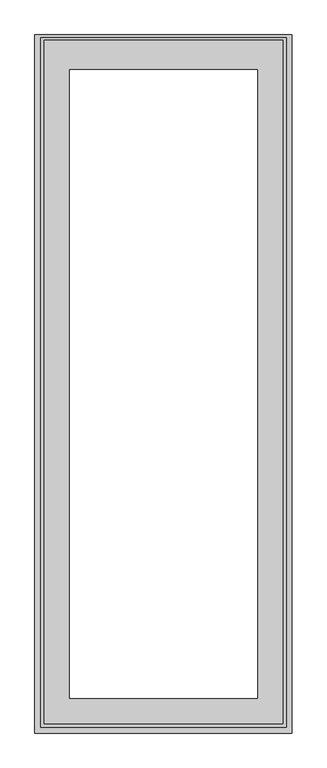
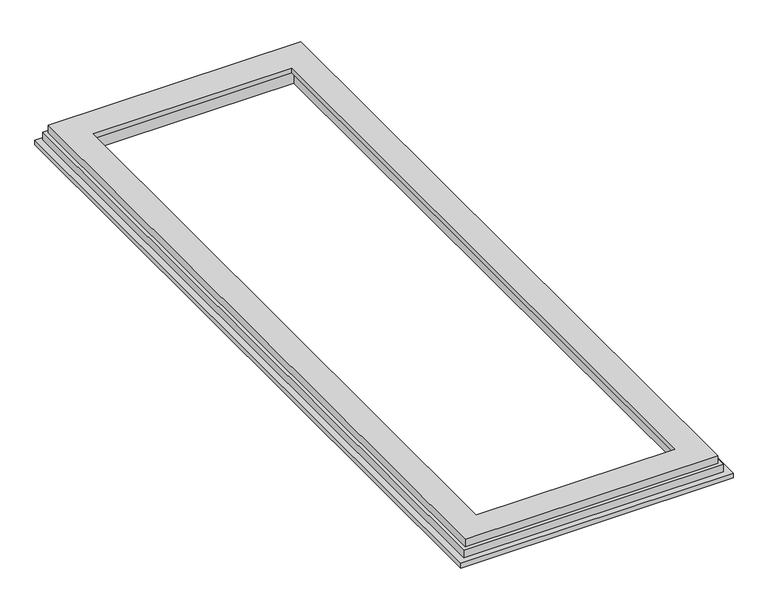
"""IFC4 building model written with IfcOpenShell, lengths in millimetres: proxy geometry."""

from ifc_helpers import new_model, si_unit, origin, place, context, project, spatial, faceted_brep, source, transform, mapped, element, save


def generic_models_3a12208d(model_context):
    return source(origin(), model_context, "Body", "Brep", [
        faceted_brep([(-1.5, -2405.0, -68.0), (-1.5, -2405.0, -84.5), (884.5, -2405.0, -84.5), (884.5, -2405.0, -68.0), (884.5, -3.0, -84.5), (-1.5, -3.0, -84.5), (100.5, -105.0, -84.5), (100.5, -2303.0, -84.5), (782.5, -2303.0, -84.5), (782.5, -105.0, -84.5), (782.5, -2303.0, -32.5), (782.5, -105.0, -32.5), (100.5, -2303.0, -32.5), (100.5, -105.0, -32.5), (118.5, -123.0, -32.5), (118.5, -2285.0, -32.5), (764.5, -2285.0, -32.5), (764.5, -123.0, -32.5), (764.5, -2285.0, -16.5), (764.5, -123.0, -16.5), (852.5, -2373.0, -16.5), (852.5, -22.0, -16.5), (30.5, -22.0, -16.5), (30.5, -2373.0, -16.5), (118.5, -2285.0, -16.5), (118.5, -123.0, -16.5), (884.5, -3.0, -68.0), (-1.5, -3.0, -68.0), (864.5, -13.0, -68.0), (864.5, -2385.0, -68.0), (18.5, -2385.0, -68.0), (18.5, -13.0, -68.0), (864.5, -13.0, -42.0), (864.5, -2385.0, -42.0), (852.5, -2373.0, -42.0), (852.5, -22.0, -42.0), (18.5, -13.0, -42.0), (18.5, -2385.0, -42.0), (30.5, -2373.0, -42.0), (30.5, -22.0, -42.0)], [[[0, 1, 2, 3]], [[4, 2, 1, 5], [6, 7, 8, 9]], [[9, 8, 10, 11]], [[11, 10, 12, 13], [14, 15, 16, 17]], [[17, 16, 18, 19]], [[20, 21, 22, 23], [19, 18, 24, 25]], [[2, 4, 26, 3]], [[4, 5, 27, 26]], [[3, 26, 27, 0], [28, 29, 30, 31]], [[28, 32, 33, 29]], [[21, 20, 34, 35]], [[32, 36, 37, 33], [34, 38, 39, 35]], [[9, 11, 13, 6]], [[17, 19, 25, 14]], [[13, 12, 7, 6]], [[25, 24, 15, 14]], [[5, 1, 0, 27]], [[30, 37, 36, 31]], [[38, 23, 22, 39]], [[7, 12, 10, 8]], [[18, 16, 15, 24]], [[29, 33, 37, 30]], [[20, 23, 38, 34]], [[31, 36, 32, 28]], [[39, 22, 21, 35]]]),
    ])


if __name__ == "__main__":
    model = new_model("IFC4")
    model_context = context("Model", 3, world=origin())
    ifc_project = project(units=[si_unit("LENGTHUNIT", "METRE", prefix="MILLI")], contexts=[model_context])
    site = spatial("IfcSite", under=ifc_project)
    building = spatial("IfcBuilding", under=site)
    placement = place(None, origin())
    generic_models_shape = generic_models_3a12208d(model_context)
    element("IfcBuildingElementProxy", 1, Name="Generic Models", at=placement, inside=building, context=model_context, shape_type="MappedRepresentation", body=[
        mapped(generic_models_shape, transform((0.0, 0.0, 0.0), x_axis=(1.0, 0.0, 0.0), y_axis=(0.0, 1.0, 0.0), z_axis=(0.0, 0.0, 1.0))),
    ])
    save(model, "model.ifc")
